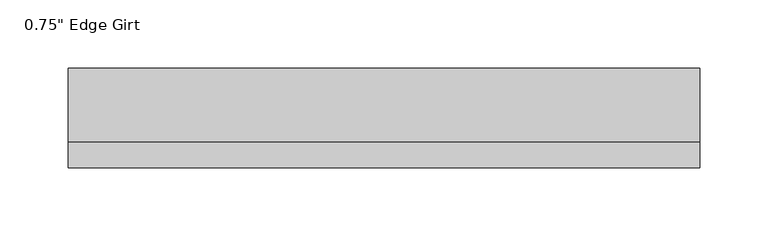
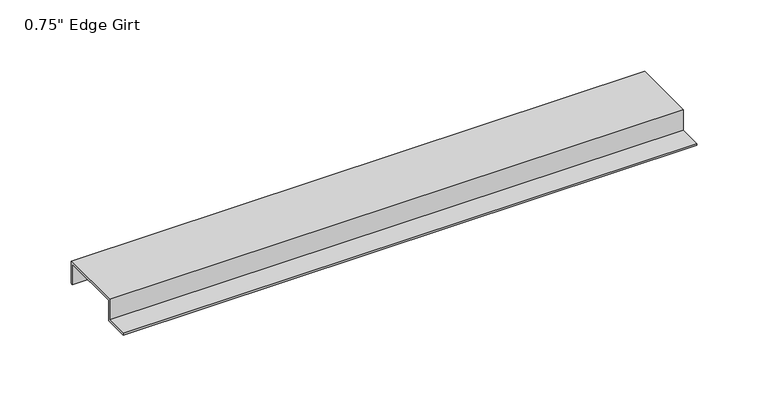
"""IFC4 building model written with IfcOpenShell, lengths in millimetres: proxy geometry."""

from ifc_helpers import new_model, si_unit, frame, origin, place, context, project, spatial, polyline, outline, extrude, source, transform, mapped, element, save


def proxy_c0508cc9(model_context):
    return source(origin(), model_context, "Body", "SweptSolid", [
        extrude(outline(polyline([(-46.0559645, -17.4375), (-46.0559645, -15.8242), (-27.0129, -15.8242), (-27.0129, 1.6129), (27.0129, 1.6129), (27.0129, -17.4375), (25.4, -17.4375), (25.4, 0.0), (-25.4, 0.0), (-25.4, -17.4375), (-46.0559645, -17.4375)])), frame((0.0, 0.0, 0.0), z_axis=(1.0, 0.0, 0.0), x_axis=(0.0, 1.0, 0.0)), (0.0, 0.0, 1.0), 463.8344709),
    ])


if __name__ == "__main__":
    model = new_model("IFC4")
    model_context = context("Model", 3, world=origin())
    ifc_project = project(units=[si_unit("LENGTHUNIT", "METRE", prefix="MILLI")], contexts=[model_context])
    site = spatial("IfcSite", under=ifc_project)
    building = spatial("IfcBuilding", under=site)
    placement = place(None, origin())
    proxy_shape = proxy_c0508cc9(model_context)
    element("IfcBuildingElementProxy", 1, Name="0.75\" Edge Girt", ObjectType="0.75\" Edge Girt", at=placement, inside=building, context=model_context, shape_type="MappedRepresentation", body=[
        mapped(proxy_shape, transform((0.0, 0.0, 0.0), x_axis=(1.0, 0.0, 0.0), y_axis=(0.0, 1.0, 0.0), z_axis=(0.0, 0.0, 1.0))),
    ])
    save(model, "model.ifc")
